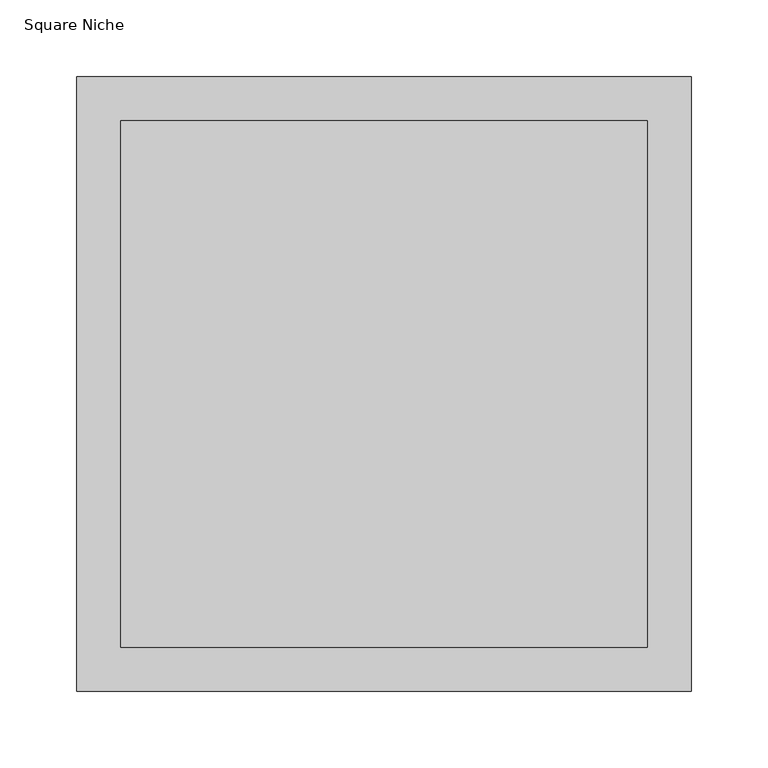
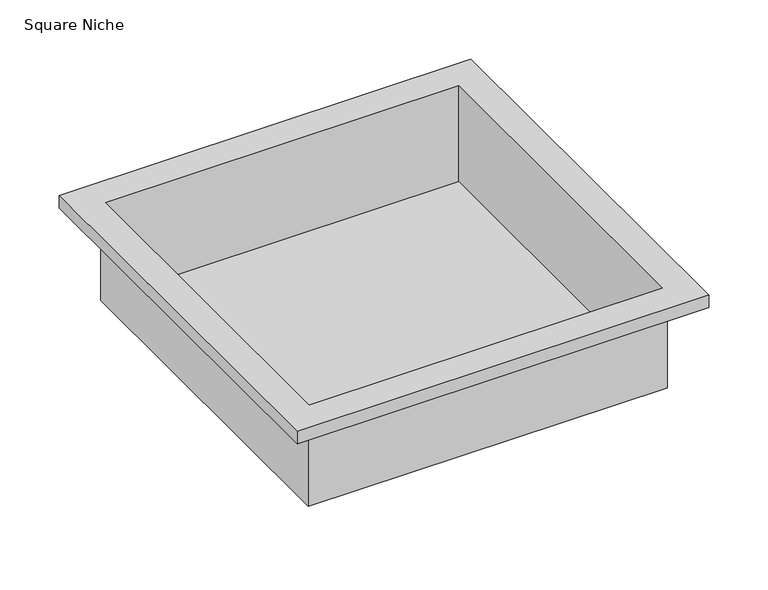
"""IFC4 building model written with IfcOpenShell, lengths in millimetres: proxy geometry, Square Niche."""

from ifc_helpers import new_model, si_unit, origin, place, context, project, spatial, faceted_brep, source, transform, mapped, element, save


def square_niche_9ac8b23a(model_context):
    return source(origin(), model_context, "Body", "Brep", [
        faceted_brep([(171.45, 171.45, -85.725), (-171.45, 171.45, -85.725), (-171.45, -171.45, -85.725), (171.45, -171.45, -85.725), (174.625, -174.625, -88.9), (-174.625, -174.625, -88.9), (-174.625, 174.625, -88.9), (174.625, 174.625, -88.9), (200.025, -200.025, 0.0), (200.025, 200.025, 0.0), (200.025, 200.025, 12.7), (200.025, -200.025, 12.7), (174.625, 174.625, 0.0), (174.625, -174.625, 0.0), (171.45, 171.45, 12.7), (171.45, -171.45, 12.7), (-200.025, 200.025, 0.0), (-200.025, 200.025, 12.7), (-174.625, 174.625, 0.0), (-171.45, 171.45, 12.7), (-200.025, -200.025, 0.0), (-200.025, -200.025, 12.7), (-174.625, -174.625, 0.0), (-171.45, -171.45, 12.7)], [[[0, 1, 2, 3]], [[4, 5, 6, 7]], [[8, 9, 10, 11]], [[4, 7, 12, 13]], [[14, 0, 3, 15]], [[9, 16, 17, 10]], [[7, 6, 18, 12]], [[19, 1, 0, 14]], [[16, 20, 21, 17]], [[6, 5, 22, 18]], [[23, 2, 1, 19]], [[11, 21, 20, 8]], [[8, 20, 16, 9], [12, 18, 22, 13]], [[13, 22, 5, 4]], [[15, 3, 2, 23]], [[10, 17, 21, 11], [15, 23, 19, 14]]]),
    ])


if __name__ == "__main__":
    model = new_model("IFC4")
    model_context = context("Model", 3, world=origin())
    ifc_project = project(units=[si_unit("LENGTHUNIT", "METRE", prefix="MILLI")], contexts=[model_context])
    site = spatial("IfcSite", under=ifc_project)
    building = spatial("IfcBuilding", under=site)
    placement = place(None, origin())
    square_niche_shape = square_niche_9ac8b23a(model_context)
    element("IfcBuildingElementProxy", 1, Name="Square Niche", ObjectType="Square Niche", at=placement, inside=building, context=model_context, shape_type="MappedRepresentation", body=[
        mapped(square_niche_shape, transform((0.0, 0.0, 0.0), x_axis=(1.0, 0.0, 0.0), y_axis=(0.0, 1.0, 0.0), z_axis=(0.0, 0.0, 1.0))),
    ])
    save(model, "model.ifc")
